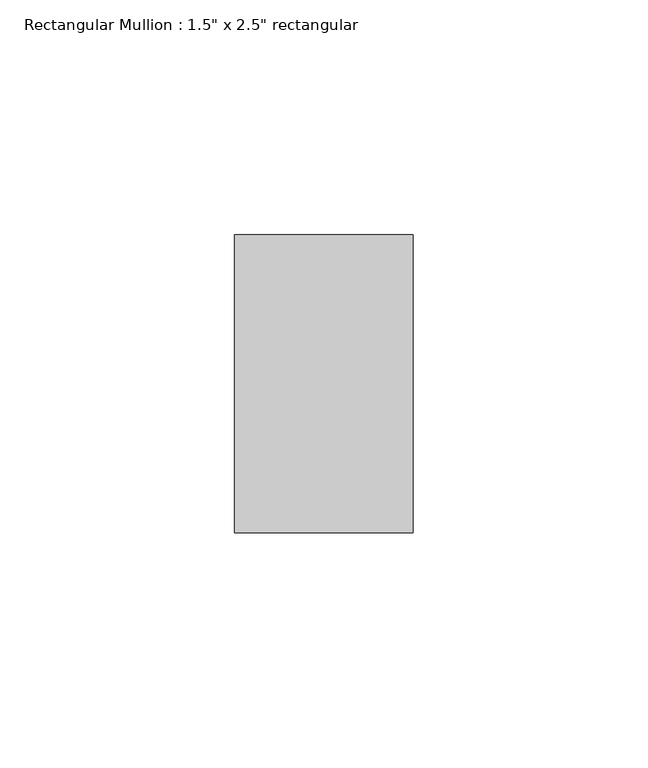
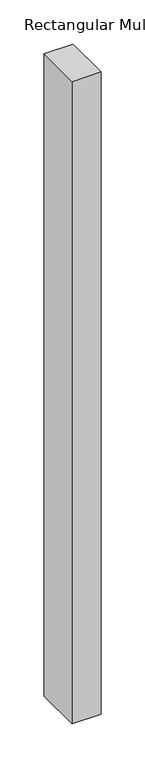
"""IFC4 building model written with IfcOpenShell, lengths in millimetres: member geometry."""

from ifc_helpers import new_model, si_unit, frame, origin, place, context, project, spatial, polyline, outline, extrude, source, transform, mapped, element, save


def member_9dcf093f(model_context):
    return source(origin(), model_context, "Body", "SweptSolid", [
        extrude(outline(polyline([(19.05, 31.75), (19.05, -31.75), (-19.05, -31.75), (-19.05, 31.75), (19.05, 31.75)])), frame((0.0, 0.0, -889.0), z_axis=(0.0, 0.0, 1.0), x_axis=(1.0, 0.0, 0.0)), (0.0, 0.0, 1.0), 889.0),
    ])


if __name__ == "__main__":
    model = new_model("IFC4")
    model_context = context("Model", 3, world=origin())
    ifc_project = project(units=[si_unit("LENGTHUNIT", "METRE", prefix="MILLI")], contexts=[model_context])
    site = spatial("IfcSite", under=ifc_project)
    building = spatial("IfcBuilding", under=site)
    placement = place(None, origin())
    member_shape = member_9dcf093f(model_context)
    element("IfcMember", 1, ObjectType="Rectangular Mullion : 1.5\" x 2.5\" rectangular", at=placement, inside=building, context=model_context, shape_type="MappedRepresentation", body=[
        mapped(member_shape, transform((0.0, 0.0, 0.0), x_axis=(1.0, 0.0, 0.0), y_axis=(0.0, 1.0, 0.0), z_axis=(0.0, 0.0, 1.0))),
    ])
    save(model, "model.ifc")
